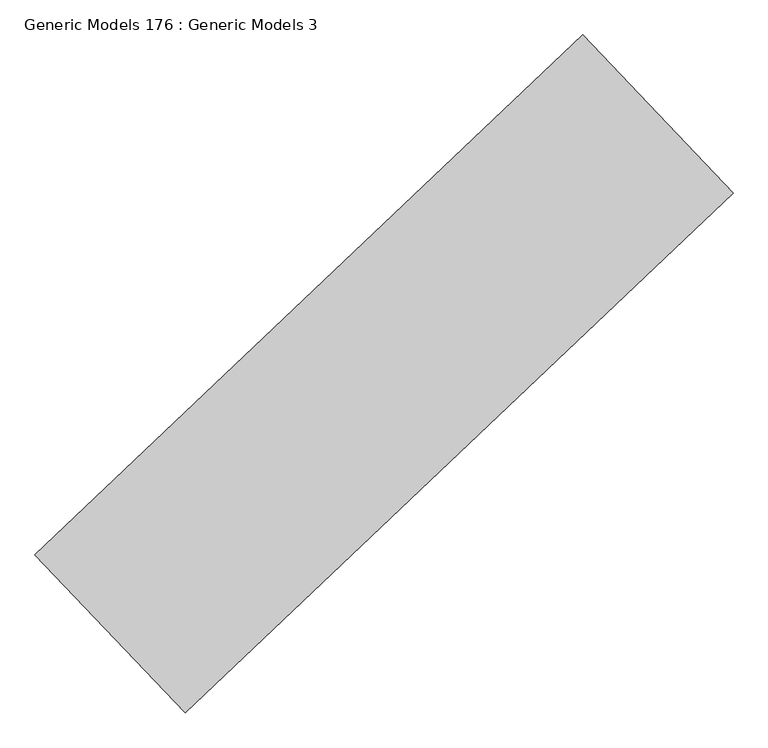
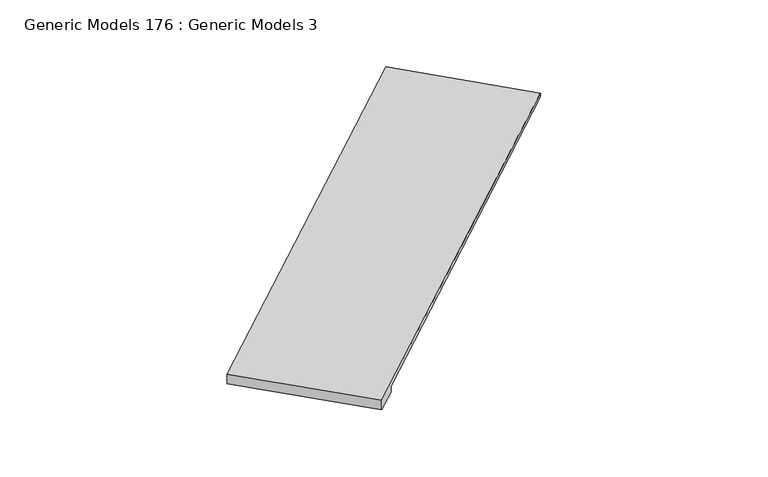
"""IFC4 building model written with IfcOpenShell, lengths in millimetres: proxy geometry, Generic Models 176 : Generic Models 3."""

from ifc_helpers import new_model, si_unit, origin, place, context, project, spatial, faceted_brep, source, transform, mapped, element, save


def generic_models_176_generic_models_3_8415d3c4(model_context):
    return source(origin(), model_context, "Body", "Brep", [
        faceted_brep([(106398.8118449, 63138.3951424, 18008.6), (108153.6008833, 61289.2333297, 18008.6), (108153.6008833, 61289.2333297, 17941.3216807), (108057.4377491, 61390.5681293, 17941.3216807), (108057.4377491, 61390.5681293, 17827.0216807), (106494.9749792, 63037.0603427, 17827.0216807), (106494.9749792, 63037.0603427, 17941.3216807), (106398.8118449, 63138.3951424, 17941.3216807), (99991.688832, 57058.2624285, 18008.6), (99991.688832, 57058.2624285, 17827.0216807), (101746.4778703, 55209.1006158, 17827.0216807), (101746.4778703, 55209.1006158, 18008.6), (102117.2711144, 55560.970266, 17827.0216807), (102117.2711144, 55560.970266, 17941.3216807), (100362.4820761, 57410.1320787, 17941.3216807), (100362.4820761, 57410.1320787, 17827.0216807), (100458.6452103, 57308.7972791, 17827.0216807), (102021.1079802, 55662.3050657, 17827.0216807), (102021.1079802, 55662.3050657, 17941.3216807), (100458.6452103, 57308.7972791, 17941.3216807)], [[[0, 1, 2, 3, 4, 5, 6, 7]], [[8, 9, 10, 11]], [[1, 0, 8, 11]], [[11, 10, 12, 13, 2, 1]], [[9, 8, 0, 7, 14, 15]], [[10, 9, 15, 16, 5, 4, 17, 12]], [[18, 13, 12, 17]], [[3, 18, 17, 4]], [[13, 18, 3, 2]], [[14, 19, 16, 15]], [[16, 19, 6, 5]], [[19, 14, 7, 6]]]),
    ])


if __name__ == "__main__":
    model = new_model("IFC4")
    model_context = context("Model", 3, world=origin())
    ifc_project = project(units=[si_unit("LENGTHUNIT", "METRE", prefix="MILLI")], contexts=[model_context])
    site = spatial("IfcSite", under=ifc_project)
    building = spatial("IfcBuilding", under=site)
    placement = place(None, origin())
    generic_models_176_generic_models_3_shape = generic_models_176_generic_models_3_8415d3c4(model_context)
    element("IfcBuildingElementProxy", 1, Name="Generic Models 176 : Generic Models 3", ObjectType="Generic Models 176 : Generic Models 3", at=placement, inside=building, context=model_context, shape_type="MappedRepresentation", body=[
        mapped(generic_models_176_generic_models_3_shape, transform((0.0, 0.0, 0.0), x_axis=(1.0, 0.0, 0.0), y_axis=(0.0, 1.0, 0.0), z_axis=(0.0, 0.0, 1.0))),
    ])
    save(model, "model.ifc")
